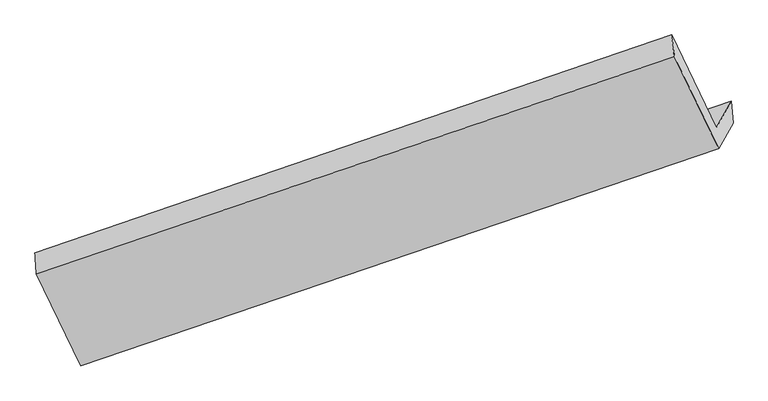
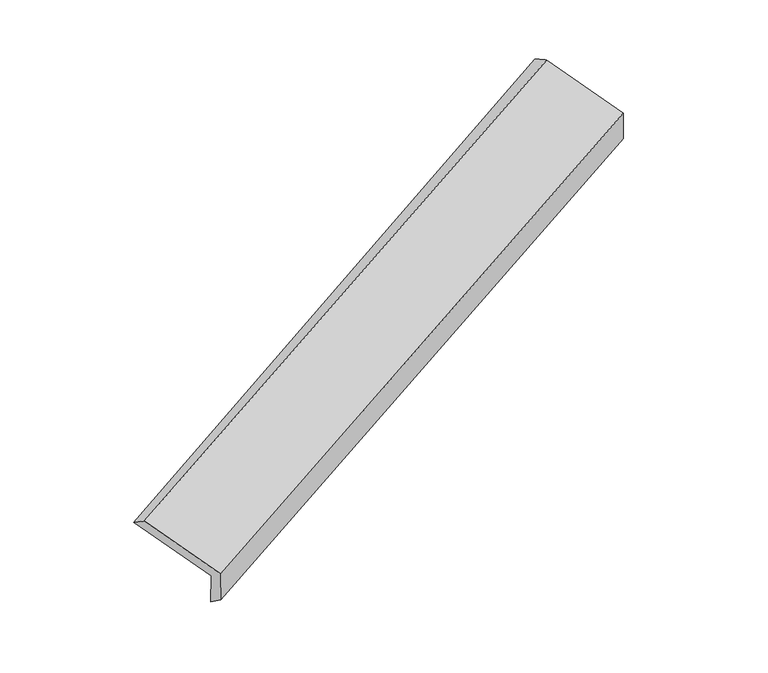
"""IFC4 building model written with IfcOpenShell, lengths in millimetres: proxy geometry."""

from ifc_helpers import new_model, si_unit, frame, origin, place, context, project, spatial, source, transform, mapped, element, save
from ifc_brep_helpers import plane_surface, spline_surface, advanced_brep


def generic_models_df07be8b(model_context):
    return source(origin(), model_context, "Body", "AdvancedBrep", [
        advanced_brep(
        [(-4690.9535143, -2204.9413819, 756.7428745), (-4780.7579018, -2365.9014729, 1103.4475715), (-827.0385848, -1009.6121378, 2774.2054544), (-733.8035281, -842.5031175, 2414.2560914), (-5059.2606121, -1788.1640544, 1299.5277018), (-1105.5412951, -431.8747193, 2970.2855847), (-5050.7937633, -1917.6456472, 1384.9295957), (-1087.4148254, -568.1289752, 3038.0573124), (-4775.2370455, -2489.2717782, 1190.9235946), (-811.8581076, -1139.7551062, 2844.0513114), (-4686.4754611, -2330.1807459, 848.2448113), (-723.0965232, -980.6640739, 2501.3725281)],
        [
            (0, 1),
            (1, 2),
            (2, 3),
            (3, 0),
            (1, 4),
            (4, 5),
            (5, 2),
            (4, 6),
            (6, 7),
            (7, 5),
            (6, 8),
            (8, 9),
            (9, 7),
            (8, 10),
            (10, 11),
            (11, 9),
            (10, 0),
            (3, 11),
        ],
        [
            plane_surface(frame((-4735.855708, -2285.4214274, 930.095223), z_axis=(-0.4181951666999003, 0.8604356830593362, 0.2911412678873549), x_axis=(-0.2287112788793551, -0.40992861599942115, 0.8829777351089715))),
            plane_surface(frame((-4920.0092569, -2077.0327636, 1201.4876366), z_axis=(0.23164403249308482, 0.4109253647557714, -0.8817490497928984), x_axis=(-0.4152634488442894, 0.8614394905909083, 0.29236667406601397))),
            spline_surface(1, 1, [[(-5059.2606121, -1788.1640544, 1299.5277018), (-1105.5412951, -431.8747193, 2970.2855847)], [(-5050.7937633, -1917.6456472, 1384.9295957), (-1087.4148254, -568.1289752, 3038.0573124)]], [2, 2], [2, 2], [0.0, 1.0], [0.0, 1.0]),
            plane_surface(frame((-4913.0154044, -2203.4587127, 1287.9265951), z_axis=(-0.22871127887935347, -0.4099286159994238, 0.8829777351089707), x_axis=(0.4152634488442952, -0.8614394905909063, -0.29236667406601113))),
            plane_surface(frame((-4730.8562533, -2409.7262621, 1019.584203), z_axis=(0.41526344884428423, -0.8614394905909112, -0.2923666740660127), x_axis=(0.2287112788793547, 0.40992861599942104, -0.8829777351089717))),
            spline_surface(1, 1, [[(-4686.4754611, -2330.1807459, 848.2448113), (-723.0965232, -980.6640739, 2501.3725281)], [(-4690.9535143, -2204.9413819, 756.7428745), (-733.8035281, -842.5031175, 2414.2560914)]], [2, 2], [2, 2], [0.0, 1.0], [0.0, 1.0]),
            plane_surface(frame((-881.4588107, -828.756355, 2757.038047), z_axis=(0.8804813563996018, 0.2998008236067702, 0.3672492984301262), x_axis=(0.2287112788793547, 0.40992861599942104, -0.8829777351089717))),
            plane_surface(frame((-4840.5797163, -2182.6841801, 1097.3026916), z_axis=(-0.8804813563996094, -0.2998008236067542, -0.3672492984301211), x_axis=(0.028859118042191285, -0.8071135817301113, 0.5896904420902701))),
        ],
        [
            (0, [[1, 2, 3, 4]]),
            (1, [[5, 6, 7, -2]]),
            (2, [[8, 9, 10, -6]]),
            (3, [[11, 12, 13, -9]]),
            (4, [[14, 15, 16, -12]]),
            (5, [[17, -4, 18, -15]]),
            (6, [[-16, -18, -3, -7, -10, -13]]),
            (7, [[-17, -14, -11, -8, -5, -1]]),
        ],
    ),
    ])


if __name__ == "__main__":
    model = new_model("IFC4")
    model_context = context("Model", 3, world=origin())
    ifc_project = project(units=[si_unit("LENGTHUNIT", "METRE", prefix="MILLI")], contexts=[model_context])
    site = spatial("IfcSite", under=ifc_project)
    building = spatial("IfcBuilding", under=site)
    placement = place(None, origin())
    generic_models_shape = generic_models_df07be8b(model_context)
    element("IfcBuildingElementProxy", 1, Name="Generic Models", at=placement, inside=building, context=model_context, shape_type="MappedRepresentation", body=[
        mapped(generic_models_shape, transform((0.0, 0.0, 0.0), x_axis=(1.0, 0.0, 0.0), y_axis=(0.0, 1.0, 0.0), z_axis=(0.0, 0.0, 1.0))),
    ])
    save(model, "model.ifc")
